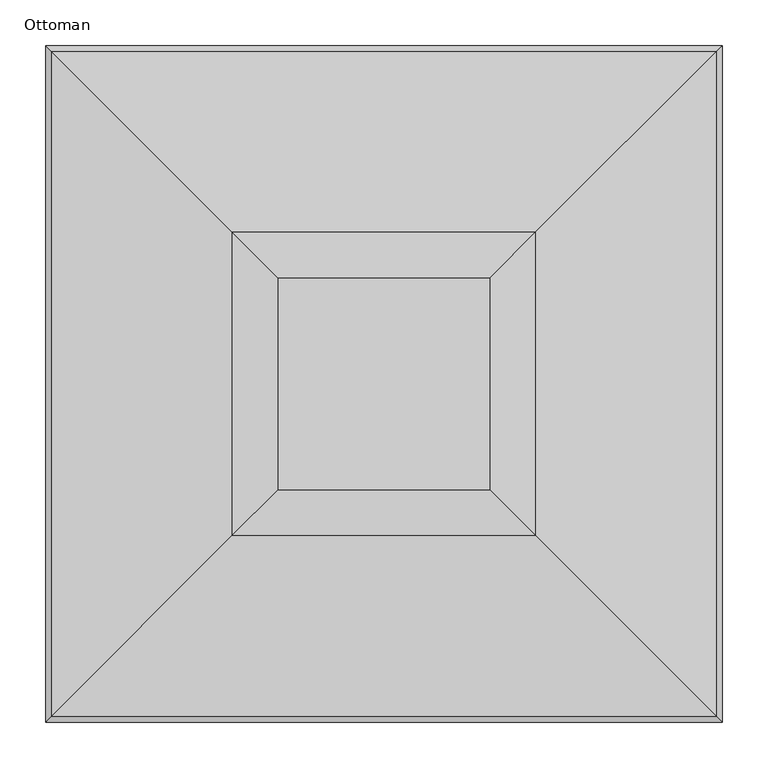
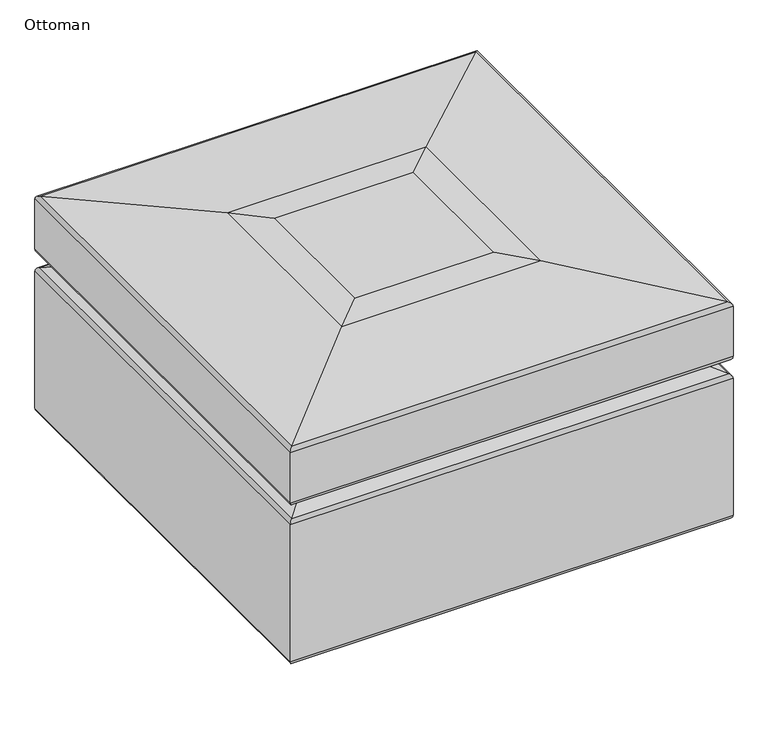
"""IFC4 building model written with IfcOpenShell, lengths in millimetres: furniture geometry, Ottoman."""

from ifc_helpers import new_model, si_unit, frame, origin, place, context, project, spatial, circle_curve, ellipse_curve, source, transform, mapped, element, save
from ifc_brep_helpers import plane_surface, cylinder_surface, advanced_brep


def ottoman_7ea43b6a(model_context):
    return source(origin(), model_context, "Body", "AdvancedBrep", [
        advanced_brep(
        [(76.0154542, -101.600003, 57.15), (126.8154542, -101.600003, 57.15), (76.0154542, -101.600003, 6.35), (126.8154542, -101.600003, 6.35), (88.7154542, -101.600003, 6.35), (114.1154542, -101.600003, 6.35), (88.7154542, -101.600003, 0.0), (114.1154542, -101.600003, 0.0)],
        [
            (0, 1, circle_curve(frame((101.4154542, -101.600003, 57.15), z_axis=(0.0, 0.0, 1.0), x_axis=(1.0, 0.0, 0.0)), 25.4)),
            (1, 0, circle_curve(frame((101.4154542, -101.600003, 57.15), z_axis=(0.0, 0.0, 1.0), x_axis=(1.0, 0.0, 0.0)), 25.4)),
            (2, 3, circle_curve(frame((101.4154542, -101.600003, 6.35), z_axis=(0.0, 0.0, -1.0), x_axis=(1.0, 0.0, 0.0)), 25.4)),
            (3, 2, circle_curve(frame((101.4154542, -101.600003, 6.35), z_axis=(0.0, 0.0, -1.0), x_axis=(1.0, 0.0, 0.0)), 25.4)),
            (4, 5, circle_curve(frame((101.4154542, -101.600003, 6.35), z_axis=(0.0, 0.0, 1.0), x_axis=(1.0, 0.0, 0.0)), 12.7)),
            (5, 4, circle_curve(frame((101.4154542, -101.600003, 6.35), z_axis=(0.0, 0.0, 1.0), x_axis=(1.0, 0.0, 0.0)), 12.7)),
            (0, 2),
            (3, 1),
            (6, 7, circle_curve(frame((101.4154542, -101.600003, 0.0), z_axis=(0.0, 0.0, -1.0), x_axis=(1.0, 0.0, 0.0)), 12.7)),
            (7, 6, circle_curve(frame((101.4154542, -101.600003, 0.0), z_axis=(0.0, 0.0, -1.0), x_axis=(1.0, 0.0, 0.0)), 12.7)),
            (7, 5),
            (4, 6),
        ],
        [
            plane_surface(frame((126.8154542, -101.600003, 57.15), z_axis=(0.0, 0.0, 1.0), x_axis=(0.0, 1.0, 0.0))),
            plane_surface(frame((126.8154542, -101.600003, 6.35), z_axis=(0.0, 0.0, -1.0), x_axis=(0.0, -1.0, 0.0))),
            cylinder_surface(frame((101.4154542, -101.600003, 6.35), z_axis=(0.0, 0.0, 1.0), x_axis=(1.0, 0.0, 0.0)), 25.4),
            plane_surface(frame((114.1154542, -101.600003, 0.0), z_axis=(0.0, 0.0, -1.0), x_axis=(0.0, -1.0, 0.0))),
            cylinder_surface(frame((101.4154542, -101.600003, 0.0), z_axis=(0.0, 0.0, 1.0), x_axis=(1.0, 0.0, 0.0)), 12.7),
        ],
        [
            (0, [[1, 2]]),
            (1, [[3, 4], [5, 6]]),
            (2, [[-1, 7, -4, 8]]),
            (2, [[-2, -8, -3, -7]]),
            (3, [[9, 10]]),
            (4, [[-10, 11, -5, 12]]),
            (4, [[-9, -12, -6, -11]]),
        ],
    ),
        advanced_brep(
        [(609.4917009, -101.600003, 57.15), (660.2917009, -101.600003, 57.15), (609.4917009, -101.600003, 6.35), (660.2917009, -101.600003, 6.35), (622.1917009, -101.600003, 6.35), (647.5917009, -101.600003, 6.35), (622.1917009, -101.600003, 0.0), (647.5917009, -101.600003, 0.0)],
        [
            (0, 1, circle_curve(frame((634.8917009, -101.600003, 57.15), z_axis=(0.0, 0.0, 1.0), x_axis=(1.0, 0.0, 0.0)), 25.4)),
            (1, 0, circle_curve(frame((634.8917009, -101.600003, 57.15), z_axis=(0.0, 0.0, 1.0), x_axis=(1.0, 0.0, 0.0)), 25.4)),
            (2, 3, circle_curve(frame((634.8917009, -101.600003, 6.35), z_axis=(0.0, 0.0, -1.0), x_axis=(1.0, 0.0, 0.0)), 25.4)),
            (3, 2, circle_curve(frame((634.8917009, -101.600003, 6.35), z_axis=(0.0, 0.0, -1.0), x_axis=(1.0, 0.0, 0.0)), 25.4)),
            (4, 5, circle_curve(frame((634.8917009, -101.600003, 6.35), z_axis=(0.0, 0.0, 1.0), x_axis=(1.0, 0.0, 0.0)), 12.7)),
            (5, 4, circle_curve(frame((634.8917009, -101.600003, 6.35), z_axis=(0.0, 0.0, 1.0), x_axis=(1.0, 0.0, 0.0)), 12.7)),
            (0, 2),
            (3, 1),
            (6, 7, circle_curve(frame((634.8917009, -101.600003, 0.0), z_axis=(0.0, 0.0, -1.0), x_axis=(1.0, 0.0, 0.0)), 12.7)),
            (7, 6, circle_curve(frame((634.8917009, -101.600003, 0.0), z_axis=(0.0, 0.0, -1.0), x_axis=(1.0, 0.0, 0.0)), 12.7)),
            (7, 5),
            (4, 6),
        ],
        [
            plane_surface(frame((126.8154542, -101.600003, 57.15), z_axis=(0.0, 0.0, 1.0), x_axis=(0.0, 1.0, 0.0))),
            plane_surface(frame((126.8154542, -101.600003, 6.35), z_axis=(0.0, 0.0, -1.0), x_axis=(0.0, -1.0, 0.0))),
            cylinder_surface(frame((634.8917009, -101.600003, 0.0), z_axis=(0.0, 0.0, 1.0), x_axis=(1.0, 0.0, 0.0)), 25.4),
            plane_surface(frame((114.1154542, -101.600003, 0.0), z_axis=(0.0, 0.0, -1.0), x_axis=(0.0, -1.0, 0.0))),
            cylinder_surface(frame((634.8917009, -101.600003, 0.0), z_axis=(0.0, 0.0, 1.0), x_axis=(1.0, 0.0, 0.0)), 12.7),
        ],
        [
            (0, [[1, 2]]),
            (1, [[3, 4], [5, 6]]),
            (2, [[-1, 7, -4, 8]]),
            (2, [[-2, -8, -3, -7]]),
            (3, [[9, 10]]),
            (4, [[-10, 11, -5, 12]]),
            (4, [[-9, -12, -6, -11]]),
        ],
    ),
        advanced_brep(
        [(76.0030708, -634.5908438, 57.15), (126.8030708, -634.5908438, 57.15), (76.0030708, -634.5908438, 6.35), (126.8030708, -634.5908438, 6.35), (88.7030708, -634.5908438, 6.35), (114.1030708, -634.5908438, 6.35), (88.7030708, -634.5908438, 0.0), (114.1030708, -634.5908438, 0.0)],
        [
            (0, 1, circle_curve(frame((101.4030708, -634.5908438, 57.15), z_axis=(0.0, 0.0, 1.0), x_axis=(1.0, 0.0, 0.0)), 25.4)),
            (1, 0, circle_curve(frame((101.4030708, -634.5908438, 57.15), z_axis=(0.0, 0.0, 1.0), x_axis=(1.0, 0.0, 0.0)), 25.4)),
            (2, 3, circle_curve(frame((101.4030708, -634.5908438, 6.35), z_axis=(0.0, 0.0, -1.0), x_axis=(1.0, 0.0, 0.0)), 25.4)),
            (3, 2, circle_curve(frame((101.4030708, -634.5908438, 6.35), z_axis=(0.0, 0.0, -1.0), x_axis=(1.0, 0.0, 0.0)), 25.4)),
            (4, 5, circle_curve(frame((101.4030708, -634.5908438, 6.35), z_axis=(0.0, 0.0, 1.0), x_axis=(1.0, 0.0, 0.0)), 12.7)),
            (5, 4, circle_curve(frame((101.4030708, -634.5908438, 6.35), z_axis=(0.0, 0.0, 1.0), x_axis=(1.0, 0.0, 0.0)), 12.7)),
            (0, 2),
            (3, 1),
            (6, 7, circle_curve(frame((101.4030708, -634.5908438, 0.0), z_axis=(0.0, 0.0, -1.0), x_axis=(1.0, 0.0, 0.0)), 12.7)),
            (7, 6, circle_curve(frame((101.4030708, -634.5908438, 0.0), z_axis=(0.0, 0.0, -1.0), x_axis=(1.0, 0.0, 0.0)), 12.7)),
            (7, 5),
            (4, 6),
        ],
        [
            plane_surface(frame((126.8154542, -101.600003, 57.15), z_axis=(0.0, 0.0, 1.0), x_axis=(0.0, 1.0, 0.0))),
            plane_surface(frame((126.8154542, -101.600003, 6.35), z_axis=(0.0, 0.0, -1.0), x_axis=(0.0, -1.0, 0.0))),
            cylinder_surface(frame((101.4030708, -634.5908438, 0.0), z_axis=(0.0, 0.0, 1.0), x_axis=(1.0, 0.0, 0.0)), 25.4),
            plane_surface(frame((114.1154542, -101.600003, 0.0), z_axis=(0.0, 0.0, -1.0), x_axis=(0.0, -1.0, 0.0))),
            cylinder_surface(frame((101.4030708, -634.5908438, 0.0), z_axis=(0.0, 0.0, 1.0), x_axis=(1.0, 0.0, 0.0)), 12.7),
        ],
        [
            (0, [[1, 2]]),
            (1, [[3, 4], [5, 6]]),
            (2, [[-1, 7, -4, 8]]),
            (2, [[-2, -8, -3, -7]]),
            (3, [[9, 10]]),
            (4, [[-10, 11, -5, 12]]),
            (4, [[-9, -12, -6, -11]]),
        ],
    ),
        advanced_brep(
        [(609.4793176, -634.5908438, 57.15), (660.2793176, -634.5908438, 57.15), (609.4793176, -634.5908438, 6.35), (660.2793176, -634.5908438, 6.35), (622.1793176, -634.5908438, 6.35), (647.5793176, -634.5908438, 6.35), (622.1793176, -634.5908438, 0.0), (647.5793176, -634.5908438, 0.0)],
        [
            (0, 1, circle_curve(frame((634.8793176, -634.5908438, 57.15), z_axis=(0.0, 0.0, 1.0), x_axis=(1.0, 0.0, 0.0)), 25.4)),
            (1, 0, circle_curve(frame((634.8793176, -634.5908438, 57.15), z_axis=(0.0, 0.0, 1.0), x_axis=(1.0, 0.0, 0.0)), 25.4)),
            (2, 3, circle_curve(frame((634.8793176, -634.5908438, 6.35), z_axis=(0.0, 0.0, -1.0), x_axis=(1.0, 0.0, 0.0)), 25.4)),
            (3, 2, circle_curve(frame((634.8793176, -634.5908438, 6.35), z_axis=(0.0, 0.0, -1.0), x_axis=(1.0, 0.0, 0.0)), 25.4)),
            (4, 5, circle_curve(frame((634.8793176, -634.5908438, 6.35), z_axis=(0.0, 0.0, 1.0), x_axis=(1.0, 0.0, 0.0)), 12.7)),
            (5, 4, circle_curve(frame((634.8793176, -634.5908438, 6.35), z_axis=(0.0, 0.0, 1.0), x_axis=(1.0, 0.0, 0.0)), 12.7)),
            (0, 2),
            (3, 1),
            (6, 7, circle_curve(frame((634.8793176, -634.5908438, 0.0), z_axis=(0.0, 0.0, -1.0), x_axis=(1.0, 0.0, 0.0)), 12.7)),
            (7, 6, circle_curve(frame((634.8793176, -634.5908438, 0.0), z_axis=(0.0, 0.0, -1.0), x_axis=(1.0, 0.0, 0.0)), 12.7)),
            (7, 5),
            (4, 6),
        ],
        [
            plane_surface(frame((126.8154542, -101.600003, 57.15), z_axis=(0.0, 0.0, 1.0), x_axis=(0.0, 1.0, 0.0))),
            plane_surface(frame((126.8154542, -101.600003, 6.35), z_axis=(0.0, 0.0, -1.0), x_axis=(0.0, -1.0, 0.0))),
            cylinder_surface(frame((634.8793176, -634.5908438, 0.0), z_axis=(0.0, 0.0, 1.0), x_axis=(1.0, 0.0, 0.0)), 25.4),
            plane_surface(frame((114.1154542, -101.600003, 0.0), z_axis=(0.0, 0.0, -1.0), x_axis=(0.0, -1.0, 0.0))),
            cylinder_surface(frame((634.8793176, -634.5908438, 0.0), z_axis=(0.0, 0.0, 1.0), x_axis=(1.0, 0.0, 0.0)), 12.7),
        ],
        [
            (0, [[1, 2]]),
            (1, [[3, 4], [5, 6]]),
            (2, [[-1, 7, -4, 8]]),
            (2, [[-2, -8, -3, -7]]),
            (3, [[9, 10]]),
            (4, [[-10, 11, -5, 12]]),
            (4, [[-9, -12, -6, -11]]),
        ],
    ),
        advanced_brep(
        [(0.0, -736.6, 304.6169636), (0.0, -736.6, 63.5), (736.6, -736.6, 63.5), (736.6, -736.6, 304.6169636), (732.1221897, -732.1221897, 311.5589406), (4.4778103, -732.1221897, 311.5589406), (686.4701691, -686.4701691, 323.8535228), (50.1298309, -686.4701691, 323.8535228), (732.1221897, -732.1221897, 336.148105), (4.4778103, -732.1221897, 336.148105), (736.6, -736.6, 343.0900819), (0.0, -736.6, 343.0900819), (736.6, -736.6, 431.650897), (0.0, -736.6, 431.650897), (736.6, 0.0, 63.5), (736.6, 0.0, 304.6169636), (732.1221897, -4.4778103, 311.5589406), (686.4701691, -50.1298309, 323.8535228), (732.1221897, -4.4778103, 336.148105), (736.6, 0.0, 343.0900819), (736.6, 0.0, 431.650897), (0.0, 0.0, 63.5), (0.0, 0.0, 304.6169636), (4.4778103, -4.4778103, 311.5589406), (50.1298309, -50.1298309, 323.8535228), (4.4778103, -4.4778103, 336.148105), (0.0, 0.0, 343.0900819), (0.0, 0.0, 431.650897), (6.35, -730.25, 57.15), (6.35, -6.35, 57.15), (730.25, -6.35, 57.15), (730.25, -730.25, 57.15), (730.9399661, -730.9399661, 437.9633012), (5.6600339, -730.9399661, 437.9633012), (533.881907, -533.881907, 459.5023798), (202.718093, -533.881907, 459.5023798), (484.2043514, -484.2043514, 462.2092771), (252.3956486, -484.2043514, 462.2092771), (730.9399661, -5.6600339, 437.9633012), (533.881907, -202.718093, 459.5023798), (484.2043514, -252.3956486, 462.2092771), (5.6600339, -5.6600339, 437.9633012), (202.718093, -202.718093, 459.5023798), (252.3956486, -252.3956486, 462.2092771)],
        [
            (0, 1),
            (1, 2),
            (2, 3),
            (3, 0),
            (3, 4, ellipse_curve(frame((728.98, -728.98, 304.6169636), z_axis=(-0.7071067811865493, -0.7071067811865457, 0.0), x_axis=(-0.7071067811865457, 0.7071067811865492, 0.0)), 10.7763073, 7.62)),
            (4, 5),
            (5, 0, ellipse_curve(frame((7.62, -728.98, 304.6169636), z_axis=(0.7071067811865462, -0.7071067811865488, 0.0), x_axis=(-0.7071067811865488, -0.7071067811865461, 0.0)), 10.7763073, 7.62)),
            (4, 6, ellipse_curve(frame((671.6764786, -671.6764786, 178.0174379), z_axis=(-0.7071067811865493, -0.7071067811865457, 0.0), x_axis=(-0.7071067811865457, 0.7071067811865492, 0.0)), 207.3017941, 146.5845043)),
            (6, 7),
            (7, 5, ellipse_curve(frame((64.9235214, -671.6764786, 178.0174379), z_axis=(0.7071067811865462, -0.7071067811865488, 0.0), x_axis=(-0.7071067811865488, -0.7071067811865461, 0.0)), 207.3017941, 146.5845043)),
            (6, 8, ellipse_curve(frame((671.6764786, -671.6764786, 469.6896076), z_axis=(-0.7071067811865493, -0.7071067811865457, 0.0), x_axis=(-0.7071067811865457, 0.7071067811865492, 0.0)), 207.3017941, 146.5845043)),
            (8, 9),
            (9, 7, ellipse_curve(frame((64.9235214, -671.6764786, 469.6896076), z_axis=(0.7071067811865462, -0.7071067811865488, 0.0), x_axis=(-0.7071067811865488, -0.7071067811865461, 0.0)), 207.3017941, 146.5845043)),
            (8, 10, ellipse_curve(frame((728.98, -728.98, 343.0900819), z_axis=(-0.7071067811865493, -0.7071067811865457, 0.0), x_axis=(-0.7071067811865457, 0.7071067811865492, 0.0)), 10.7763073, 7.62)),
            (10, 11),
            (11, 9, ellipse_curve(frame((7.62, -728.98, 343.0900819), z_axis=(0.7071067811865462, -0.7071067811865488, 0.0), x_axis=(-0.7071067811865488, -0.7071067811865461, 0.0)), 10.7763073, 7.62)),
            (10, 12),
            (12, 13),
            (13, 11),
            (2, 14),
            (14, 15),
            (15, 3),
            (15, 16, ellipse_curve(frame((728.98, -7.62, 304.6169636), z_axis=(0.7071067811865468, -0.7071067811865481, 0.0), x_axis=(-0.7071067811865481, -0.7071067811865469, 0.0)), 10.7763073, 7.62)),
            (16, 4),
            (16, 17, ellipse_curve(frame((671.6764786, -64.9235214, 178.0174379), z_axis=(0.7071067811865468, -0.7071067811865481, 0.0), x_axis=(-0.7071067811865481, -0.7071067811865469, 0.0)), 207.3017941, 146.5845043)),
            (17, 6),
            (17, 18, ellipse_curve(frame((671.6764786, -64.9235214, 469.6896076), z_axis=(0.7071067811865468, -0.7071067811865481, 0.0), x_axis=(-0.7071067811865481, -0.7071067811865469, 0.0)), 207.3017941, 146.5845043)),
            (18, 8),
            (18, 19, ellipse_curve(frame((728.98, -7.62, 343.0900819), z_axis=(0.7071067811865468, -0.7071067811865481, 0.0), x_axis=(-0.7071067811865481, -0.7071067811865469, 0.0)), 10.7763073, 7.62)),
            (19, 10),
            (19, 20),
            (20, 12),
            (14, 21),
            (21, 22),
            (22, 15),
            (22, 23, ellipse_curve(frame((7.62, -7.62, 304.6169636), z_axis=(0.7071067811865477, 0.7071067811865474, 0.0), x_axis=(0.7071067811865474, -0.7071067811865476, 0.0)), 10.7763073, 7.62)),
            (23, 16),
            (23, 24, ellipse_curve(frame((64.9235214, -64.9235214, 178.0174379), z_axis=(0.7071067811865477, 0.7071067811865474, 0.0), x_axis=(0.7071067811865474, -0.7071067811865476, 0.0)), 207.3017941, 146.5845043)),
            (24, 17),
            (24, 25, ellipse_curve(frame((64.9235214, -64.9235214, 469.6896076), z_axis=(0.7071067811865477, 0.7071067811865474, 0.0), x_axis=(0.7071067811865474, -0.7071067811865476, 0.0)), 207.3017941, 146.5845043)),
            (25, 18),
            (25, 26, ellipse_curve(frame((7.62, -7.62, 343.0900819), z_axis=(0.7071067811865477, 0.7071067811865474, 0.0), x_axis=(0.7071067811865474, -0.7071067811865476, 0.0)), 10.7763073, 7.62)),
            (26, 19),
            (26, 27),
            (27, 20),
            (0, 22),
            (21, 1),
            (5, 23),
            (7, 24),
            (9, 25),
            (11, 26),
            (13, 27),
            (28, 29),
            (29, 30),
            (30, 31),
            (31, 28),
            (1, 28, ellipse_curve(frame((6.35, -730.25, 63.5), z_axis=(0.7071067811865462, -0.7071067811865488, 0.0), x_axis=(-0.7071067811865488, -0.7071067811865461, 0.0)), 8.9802561, 6.35)),
            (31, 2, ellipse_curve(frame((730.25, -730.25, 63.5), z_axis=(-0.7071067811865493, -0.7071067811865457, 0.0), x_axis=(-0.7071067811865457, 0.7071067811865492, 0.0)), 8.9802561, 6.35)),
            (30, 14, ellipse_curve(frame((730.25, -6.35, 63.5), z_axis=(0.7071067811865468, -0.7071067811865481, 0.0), x_axis=(-0.7071067811865481, -0.7071067811865469, 0.0)), 8.9802561, 6.35)),
            (29, 21, ellipse_curve(frame((6.35, -6.35, 63.5), z_axis=(0.7071067811865477, 0.7071067811865474, 0.0), x_axis=(0.7071067811865474, -0.7071067811865476, 0.0)), 8.9802561, 6.35)),
            (12, 32, ellipse_curve(frame((730.25, -730.25, 431.650897), z_axis=(-0.7071067811865493, -0.7071067811865457, 0.0), x_axis=(-0.7071067811865457, 0.7071067811865492, 0.0)), 8.9802561, 6.35)),
            (32, 33),
            (33, 13, ellipse_curve(frame((6.35, -730.25, 431.650897), z_axis=(0.7071067811865462, -0.7071067811865488, 0.0), x_axis=(-0.7071067811865488, -0.7071067811865461, 0.0)), 8.9802561, 6.35)),
            (32, 34),
            (34, 35),
            (35, 33),
            (34, 36, ellipse_curve(frame((484.2043514, -484.2043514, 5.0092771), z_axis=(-0.7071067811865493, -0.7071067811865457, 0.0), x_axis=(-0.7071067811865457, 0.7071067811865492, 0.0)), 646.5784407, 457.2)),
            (36, 37),
            (37, 35, ellipse_curve(frame((252.3956486, -484.2043514, 5.0092771), z_axis=(0.7071067811865462, -0.7071067811865488, 0.0), x_axis=(-0.7071067811865488, -0.7071067811865461, 0.0)), 646.5784407, 457.2)),
            (20, 38, ellipse_curve(frame((730.25, -6.35, 431.650897), z_axis=(0.7071067811865468, -0.7071067811865481, 0.0), x_axis=(-0.7071067811865481, -0.7071067811865469, 0.0)), 8.9802561, 6.35)),
            (38, 32),
            (38, 39),
            (39, 34),
            (39, 40, ellipse_curve(frame((484.2043514, -252.3956486, 5.0092771), z_axis=(0.7071067811865468, -0.7071067811865481, 0.0), x_axis=(-0.7071067811865481, -0.7071067811865469, 0.0)), 646.5784407, 457.2)),
            (40, 36),
            (27, 41, ellipse_curve(frame((6.35, -6.35, 431.650897), z_axis=(0.7071067811865477, 0.7071067811865474, 0.0), x_axis=(0.7071067811865474, -0.7071067811865476, 0.0)), 8.9802561, 6.35)),
            (41, 38),
            (41, 42),
            (42, 39),
            (42, 43, ellipse_curve(frame((252.3956486, -252.3956486, 5.0092771), z_axis=(0.7071067811865477, 0.7071067811865474, 0.0), x_axis=(0.7071067811865474, -0.7071067811865476, 0.0)), 646.5784407, 457.2)),
            (43, 40),
            (33, 41),
            (35, 42),
            (37, 43),
        ],
        [
            plane_surface(frame((0.0, -736.6, 63.5), z_axis=(0.0, -1.0, 0.0), x_axis=(1.0, 0.0, 0.0))),
            cylinder_surface(frame((50.8, -728.98, 304.6169636), z_axis=(-1.0, 0.0, 0.0), x_axis=(0.0, 1.0, 0.0)), 7.62),
            cylinder_surface(frame((50.8, -671.6764786, 178.0174379), z_axis=(-1.0, 0.0, 0.0), x_axis=(0.0, 1.0, 0.0)), 146.5845043),
            cylinder_surface(frame((50.8, -671.6764786, 469.6896076), z_axis=(-1.0, 0.0, 0.0), x_axis=(0.0, 1.0, 0.0)), 146.5845043),
            cylinder_surface(frame((50.8, -728.98, 343.0900819), z_axis=(-1.0, 0.0, 0.0), x_axis=(0.0, 1.0, 0.0)), 7.62),
            plane_surface(frame((0.0, -736.6, 343.0900819), z_axis=(0.0, -1.0, 0.0), x_axis=(1.0, 0.0, 0.0))),
            plane_surface(frame((736.6, -736.6, 63.5), z_axis=(1.0, 0.0, 0.0), x_axis=(0.0, 1.0, 0.0))),
            cylinder_surface(frame((728.98, -685.8, 304.6169636), z_axis=(0.0, -1.0, 0.0), x_axis=(-1.0, 0.0, 0.0)), 7.62),
            cylinder_surface(frame((671.6764786, -685.8, 178.0174379), z_axis=(0.0, -1.0, 0.0), x_axis=(-1.0, 0.0, 0.0)), 146.5845043),
            cylinder_surface(frame((671.6764786, -685.8, 469.6896076), z_axis=(0.0, -1.0, 0.0), x_axis=(-1.0, 0.0, 0.0)), 146.5845043),
            cylinder_surface(frame((728.98, -685.8, 343.0900819), z_axis=(0.0, -1.0, 0.0), x_axis=(-1.0, 0.0, 0.0)), 7.62),
            plane_surface(frame((736.6, -736.6, 343.0900819), z_axis=(1.0, 0.0, 0.0), x_axis=(0.0, 1.0, 0.0))),
            plane_surface(frame((736.6, 0.0, 63.5), z_axis=(0.0, 1.0, 0.0), x_axis=(-1.0, 0.0, 0.0))),
            cylinder_surface(frame((685.8, -7.62, 304.6169636), z_axis=(1.0, 0.0, 0.0), x_axis=(0.0, -1.0, 0.0)), 7.62),
            cylinder_surface(frame((685.8, -64.9235214, 178.0174379), z_axis=(1.0, 0.0, 0.0), x_axis=(0.0, -1.0, 0.0)), 146.5845043),
            cylinder_surface(frame((685.8, -64.9235214, 469.6896076), z_axis=(1.0, 0.0, 0.0), x_axis=(0.0, -1.0, 0.0)), 146.5845043),
            cylinder_surface(frame((685.8, -7.62, 343.0900819), z_axis=(1.0, 0.0, 0.0), x_axis=(0.0, -1.0, 0.0)), 7.62),
            plane_surface(frame((736.6, 0.0, 343.0900819), z_axis=(0.0, 1.0, 0.0), x_axis=(-1.0, 0.0, 0.0))),
            plane_surface(frame((0.0, 0.0, 63.5), z_axis=(-1.0, 0.0, 0.0), x_axis=(0.0, -1.0, 0.0))),
            cylinder_surface(frame((7.62, -50.8, 304.6169636), z_axis=(0.0, 1.0, 0.0), x_axis=(1.0, 0.0, 0.0)), 7.62),
            cylinder_surface(frame((64.9235214, -50.8, 178.0174379), z_axis=(0.0, 1.0, 0.0), x_axis=(1.0, 0.0, 0.0)), 146.5845043),
            cylinder_surface(frame((64.9235214, -50.8, 469.6896076), z_axis=(0.0, 1.0, 0.0), x_axis=(1.0, 0.0, 0.0)), 146.5845043),
            cylinder_surface(frame((7.62, -50.8, 343.0900819), z_axis=(0.0, 1.0, 0.0), x_axis=(1.0, 0.0, 0.0)), 7.62),
            plane_surface(frame((0.0, 0.0, 343.0900819), z_axis=(-1.0, 0.0, 0.0), x_axis=(0.0, -1.0, 0.0))),
            plane_surface(frame((254.0, -254.0, 57.15), z_axis=(0.0, 0.0, -1.0), x_axis=(0.0, -1.0, 0.0))),
            cylinder_surface(frame((50.8, -730.25, 63.5), z_axis=(-1.0, 0.0, 0.0), x_axis=(0.0, 1.0, 0.0)), 6.35),
            cylinder_surface(frame((730.25, -685.8, 63.5), z_axis=(0.0, -1.0, 0.0), x_axis=(-1.0, 0.0, 0.0)), 6.35),
            cylinder_surface(frame((685.8, -6.35, 63.5), z_axis=(1.0, 0.0, 0.0), x_axis=(0.0, -1.0, 0.0)), 6.35),
            cylinder_surface(frame((6.35, -50.8, 63.5), z_axis=(0.0, 1.0, 0.0), x_axis=(1.0, 0.0, 0.0)), 6.35),
            cylinder_surface(frame((50.8, -730.25, 431.650897), z_axis=(-1.0, 0.0, 0.0), x_axis=(0.0, 1.0, 0.0)), 6.35),
            plane_surface(frame((5.6600339, -730.9399661, 437.9633012), z_axis=(0.0, -0.10865607098074602, 0.9940794023814331), x_axis=(1.0, 0.0, 0.0))),
            cylinder_surface(frame((50.8, -484.2043514, 5.0092771), z_axis=(-1.0, 0.0, 0.0), x_axis=(0.0, 1.0, 0.0)), 457.2),
            cylinder_surface(frame((730.25, -685.8, 431.650897), z_axis=(0.0, -1.0, 0.0), x_axis=(-1.0, 0.0, 0.0)), 6.35),
            plane_surface(frame((730.9399661, -730.9399661, 437.9633012), z_axis=(0.10865607098074602, 0.0, 0.9940794023814331), x_axis=(0.0, 1.0, 0.0))),
            cylinder_surface(frame((484.2043514, -685.8, 5.0092771), z_axis=(0.0, -1.0, 0.0), x_axis=(-1.0, 0.0, 0.0)), 457.2),
            cylinder_surface(frame((685.8, -6.35, 431.650897), z_axis=(1.0, 0.0, 0.0), x_axis=(0.0, -1.0, 0.0)), 6.35),
            plane_surface(frame((730.9399661, -5.6600339, 437.9633012), z_axis=(0.0, 0.10865607098074602, 0.9940794023814331), x_axis=(-1.0, 0.0, 0.0))),
            cylinder_surface(frame((685.8, -252.3956486, 5.0092771), z_axis=(1.0, 0.0, 0.0), x_axis=(0.0, -1.0, 0.0)), 457.2),
            cylinder_surface(frame((6.35, -50.8, 431.650897), z_axis=(0.0, 1.0, 0.0), x_axis=(1.0, 0.0, 0.0)), 6.35),
            plane_surface(frame((5.6600339, -5.6600339, 437.9633012), z_axis=(-0.10865607098074602, 0.0, 0.9940794023814331), x_axis=(0.0, -1.0, 0.0))),
            cylinder_surface(frame((252.3956486, -50.8, 5.0092771), z_axis=(0.0, 1.0, 0.0), x_axis=(1.0, 0.0, 0.0)), 457.2),
            plane_surface(frame((252.3956486, -252.3956486, 462.2092771), z_axis=(0.0, 0.0, 1.0), x_axis=(0.0, -1.0, 0.0))),
        ],
        [
            (0, [[1, 2, 3, 4]]),
            (1, [[-4, 5, 6, 7]]),
            (2, [[-6, 8, 9, 10]]),
            (3, [[-9, 11, 12, 13]]),
            (4, [[-12, 14, 15, 16]]),
            (5, [[-15, 17, 18, 19]]),
            (6, [[-3, 20, 21, 22]]),
            (7, [[-5, -22, 23, 24]]),
            (8, [[-8, -24, 25, 26]]),
            (9, [[-11, -26, 27, 28]]),
            (10, [[-14, -28, 29, 30]]),
            (11, [[-17, -30, 31, 32]]),
            (12, [[-21, 33, 34, 35]]),
            (13, [[-23, -35, 36, 37]]),
            (14, [[-25, -37, 38, 39]]),
            (15, [[-27, -39, 40, 41]]),
            (16, [[-29, -41, 42, 43]]),
            (17, [[-31, -43, 44, 45]]),
            (18, [[-1, 46, -34, 47]]),
            (19, [[-7, 48, -36, -46]]),
            (20, [[-10, 49, -38, -48]]),
            (21, [[-13, 50, -40, -49]]),
            (22, [[-16, 51, -42, -50]]),
            (23, [[-19, 52, -44, -51]]),
            (24, [[53, 54, 55, 56]]),
            (25, [[-2, 57, -56, 58]]),
            (26, [[-20, -58, -55, 59]]),
            (27, [[-33, -59, -54, 60]]),
            (28, [[-47, -60, -53, -57]]),
            (29, [[-18, 61, 62, 63]]),
            (30, [[-62, 64, 65, 66]]),
            (31, [[-65, 67, 68, 69]]),
            (32, [[-32, 70, 71, -61]]),
            (33, [[-64, -71, 72, 73]]),
            (34, [[-67, -73, 74, 75]]),
            (35, [[-45, 76, 77, -70]]),
            (36, [[-72, -77, 78, 79]]),
            (37, [[-74, -79, 80, 81]]),
            (38, [[-52, -63, 82, -76]]),
            (39, [[-66, 83, -78, -82]]),
            (40, [[-69, 84, -80, -83]]),
            (41, [[-68, -75, -81, -84]]),
        ],
    ),
    ])


if __name__ == "__main__":
    model = new_model("IFC4")
    model_context = context("Model", 3, world=origin())
    ifc_project = project(units=[si_unit("LENGTHUNIT", "METRE", prefix="MILLI")], contexts=[model_context])
    site = spatial("IfcSite", under=ifc_project)
    building = spatial("IfcBuilding", under=site)
    placement = place(None, origin())
    ottoman_shape = ottoman_7ea43b6a(model_context)
    element("IfcFurniture", 1, ObjectType="Ottoman", at=placement, inside=building, context=model_context, shape_type="MappedRepresentation", body=[
        mapped(ottoman_shape, transform((0.0, 0.0, 0.0), x_axis=(1.0, 0.0, 0.0), y_axis=(0.0, 1.0, 0.0), z_axis=(0.0, 0.0, 1.0))),
    ])
    save(model, "model.ifc")
